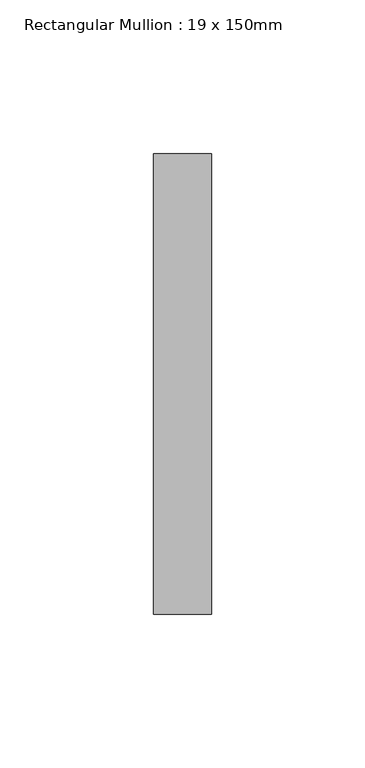
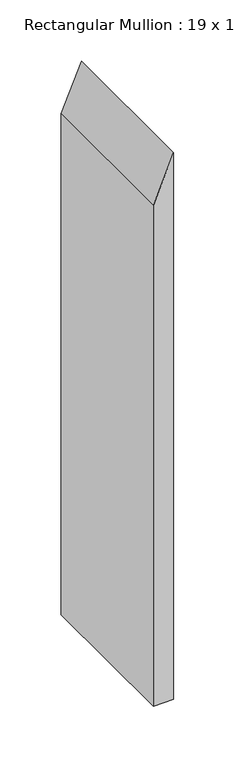
"""IFC4 building model written with IfcOpenShell, lengths in millimetres: member geometry, Rectangular Mullion : 19 x 150mm."""

from ifc_helpers import new_model, si_unit, frame, origin, place, context, project, spatial, polyline, outline, extrude, source, transform, mapped, element, save


def rectangular_mullion_19_x_150mm_46ca5857(model_context):
    return source(origin(), model_context, "Body", "SweptSolid", [
        extrude(outline(polyline([(0.0, 0.0), (-45.6348198, -19.0), (-543.7696702, -19.0), (-543.7696702, 0.0), (0.0, 0.0)])), frame((0.0, -175.0, 0.0), z_axis=(0.0, 1.0, 0.0), x_axis=(0.0, 0.0, 1.0)), (0.0, 0.0, 1.0), 150.0),
    ])


if __name__ == "__main__":
    model = new_model("IFC4")
    model_context = context("Model", 3, world=origin())
    ifc_project = project(units=[si_unit("LENGTHUNIT", "METRE", prefix="MILLI")], contexts=[model_context])
    site = spatial("IfcSite", under=ifc_project)
    building = spatial("IfcBuilding", under=site)
    placement = place(None, origin())
    rectangular_mullion_19_x_150mm_shape = rectangular_mullion_19_x_150mm_46ca5857(model_context)
    element("IfcMember", 1, ObjectType="Rectangular Mullion : 19 x 150mm", at=placement, inside=building, context=model_context, shape_type="MappedRepresentation", body=[
        mapped(rectangular_mullion_19_x_150mm_shape, transform((0.0, 0.0, 0.0), x_axis=(1.0, 0.0, 0.0), y_axis=(0.0, 1.0, 0.0), z_axis=(0.0, 0.0, 1.0))),
    ])
    save(model, "model.ifc")
